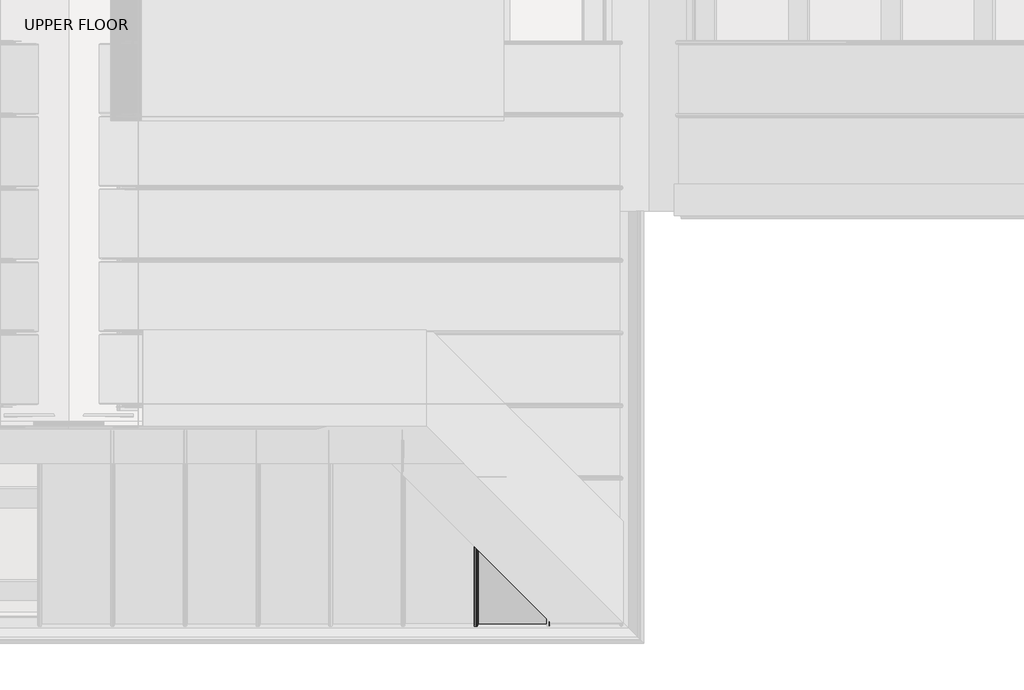
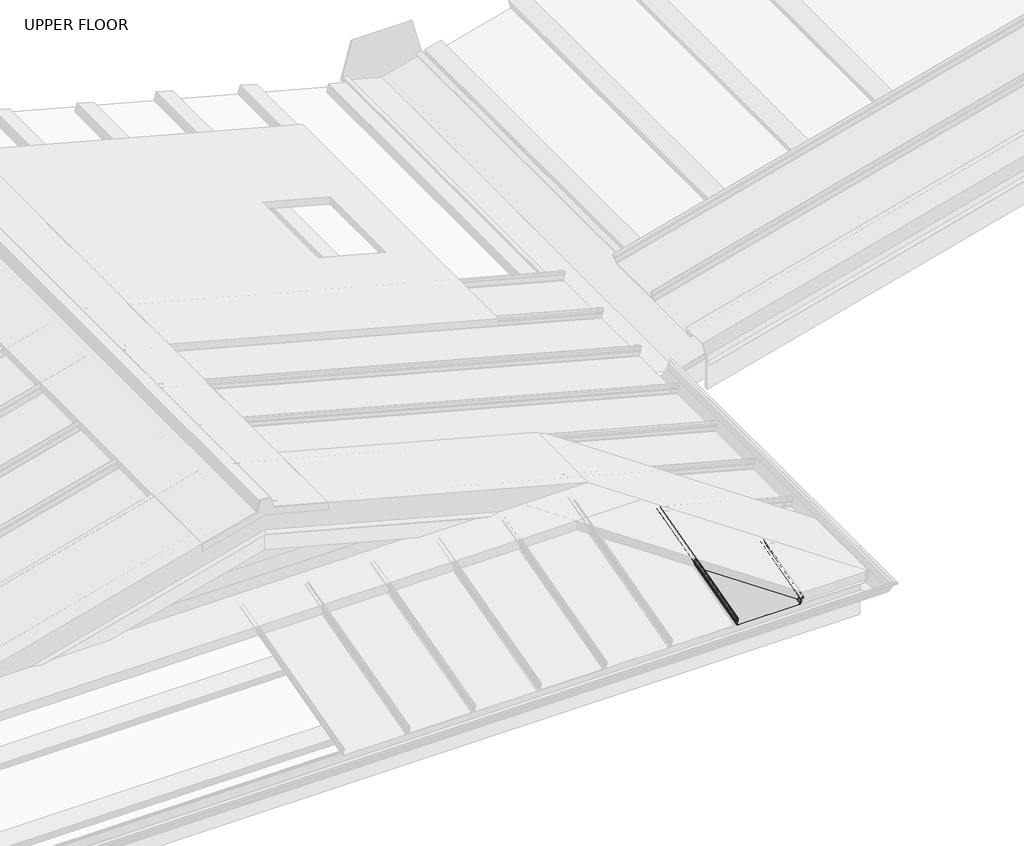
# One storey, part 10 of 15: 1 beam.
"""IFC4 building model written with IfcOpenShell, lengths in millimetres."""

from ifc_helpers import new_model, si_unit, frame, origin, place, context, project, spatial, polyline, circle_curve, ellipse_curve, element, save
from ifc_brep_helpers import plane_surface, cylinder_surface, revolved_surface, advanced_brep

model = new_model("IFC4")

# Units and contexts
model_context = context("Model", 3, world=origin())
ifc_project = project(units=[si_unit("LENGTHUNIT", "METRE", prefix="MILLI")], contexts=[model_context])

# Site, building, storey
site = spatial("IfcSite", under=ifc_project)
building = spatial("IfcBuilding", under=site)
storey = spatial("IfcBuildingStorey", under=building, Name="UPPER FLOOR", Elevation=2700.0)

# Beam
placement = place(None, origin())
element("IfcBeam", 1, at=placement, inside=storey, context=model_context, shape_type="AdvancedBrep", body=[
    advanced_brep(
    [(4248.3493108, -4676.095666, 3282.2551895), (4243.8152854, -4677.0728577, 3285.9021185), (4239.3084709, -4676.1309313, 3282.3868016), (4236.8614715, -4673.1910221, 3271.414911), (4238.5201309, -4672.5557768, 3269.0441433), (4239.6892957, -4672.112927, 3267.3914054), (4238.1987741, -4666.0540531, 3244.7793802), (4234.5043224, -4665.157273, 3241.4325512), (3914.2553696, -4665.157273, 3241.4325512), (3910.5625922, -4666.0550971, 3244.7832762), (3909.093089, -4672.1332034, 3267.4670779), (3909.7210166, -4672.3747897, 3268.3686904), (3911.9326545, -4673.168275, 3271.3300177), (3911.0491157, -4676.0609668, 3282.1256906), (3903.8194638, -4677.7900541, 3288.5787319), (3896.5898118, -4676.0609668, 3282.1256906), (3895.706273, -4673.168275, 3271.3300177), (3897.9179109, -4672.3747897, 3268.3686904), (3898.5458385, -4672.1332034, 3267.4670779), (3898.1541241, -4670.5130082, 3261.420427), (3899.15608, -4670.5130082, 3261.420427), (3899.5634887, -4672.1981177, 3267.7093414), (3898.1580728, -4672.6260652, 3269.3064631), (3896.7036522, -4673.1478782, 3271.2538956), (3897.5933426, -4676.0607105, 3282.1247338), (3903.8194638, -4677.531235, 3287.6128061), (3910.0523198, -4676.0402621, 3282.0484196), (3910.9399185, -4673.1272018, 3271.1767303), (3909.4808547, -4672.6260652, 3269.3064631), (3908.0754388, -4672.1981177, 3267.7093414), (3909.5645443, -4666.0389332, 3244.7229517), (3914.2553696, -4664.898454, 3240.4666254), (4234.5040773, -4664.898454, 3240.4666254), (4239.1967532, -4666.0376071, 3244.7180029), (4240.6874877, -4672.0973465, 3267.3332583), (4238.7839069, -4672.805634, 3269.9766229), (4237.8472636, -4673.1463822, 3271.2483128), (4240.2629487, -4676.0462771, 3282.0708676), (4243.8257944, -4676.8142937, 3284.9371448), (4247.2997886, -4676.1424796, 3282.4299005), (4249.3270395, -4673.2675201, 3271.7004056), (4250.3268994, -4673.315157, 3271.8781888), (4250.3268994, -4318.4752468, 3366.9572562), (4248.3493108, -4316.4976582, 3378.6091852), (4249.3270395, -4317.4753869, 3367.0346203), (4247.2997886, -4315.448136, 3379.0776586), (4243.8257944, -4311.9741418, 3382.6957689), (4240.2629487, -4308.4112961, 3380.5783638), (4237.8472636, -4305.995611, 3369.6260654), (4238.7839069, -4306.9322543, 3368.0120995), (4240.6874877, -4308.8358351, 3364.6688869), (4239.1967532, -4307.3451006, 3340.8293704), (4234.5040773, -4302.6524247, 3337.5301564), (3914.2553696, -3982.403717, 3423.340539), (3909.5645443, -3977.7128917, 3429.1593586), (3908.0754388, -3976.2237862, 3454.1951015), (3909.4808547, -3977.6292021, 3455.5303113), (3910.9399185, -3979.088266, 3457.1439027), (3910.0523198, -3978.2006672, 3469.0339755), (3903.8194638, -3971.9678112, 3476.6679557), (3897.5933426, -3965.74169, 3472.4541417), (3896.7036522, -3964.8519996, 3461.0412043), (3898.1580728, -3966.3064202, 3458.5642416), (3899.5634887, -3967.7118362, 3456.4758716), (3899.15608, -3967.3044274, 3449.8445983), (3898.1541241, -3966.3024715, 3450.1130716), (3898.5458385, -3966.694186, 3456.4888929), (3897.9179109, -3966.0662583, 3457.623491), (3895.7051439, -3963.8546433, 3461.390124), (3896.5898118, -3964.7381592, 3472.7240625), (3903.8194638, -3971.9678112, 3477.7032319), (3911.0491157, -3979.1974632, 3468.8497037), (3911.9326545, -3980.0810019, 3457.0421928), (3909.7210166, -3977.8693641, 3454.4608583), (3909.093089, -3977.2414364, 3453.6627657), (3910.5625922, -3978.7109396, 3428.956588), (3914.2553696, -3982.403717, 3424.3758152), (4234.5043224, -4302.6526698, 3338.5653669), (4238.1987741, -4306.3471215, 3341.1625621), (4239.6892957, -4307.8376431, 3364.9986735), (4238.5201309, -4306.6684783, 3367.0833494), (4236.8614715, -4305.0098189, 3370.0687671), (4239.3084709, -4307.4568184, 3381.1727324), (4243.8152854, -4311.9636329, 3383.7328404)],
    [
        (0, 1, circle_curve(frame((4243.8152854, -4675.8796489, 3281.4490028), z_axis=(0.0, -0.9659258262890683, -0.2588190451025206), x_axis=(-1.0000000000000002, 0.0, 0.0)), 4.6102046)),
        (1, 2, circle_curve(frame((4243.8152854, -4675.8796489, 3281.4490028), z_axis=(0.0, -0.9659258262890683, -0.2588190451025206), x_axis=(-1.0000000000000002, 0.0, 0.0)), 4.6102046)),
        (2, 3),
        (3, 4, circle_curve(frame((4239.2456639, -4673.1453565, 3271.2444845), z_axis=(0.0, -0.9659258262890683, -0.2588190451025206), x_axis=(-1.0000000000000002, 0.0, 0.0)), 2.3907121)),
        (4, 5, circle_curve(frame((4238.0092332, -4672.1406133, 3267.4947319), z_axis=(0.0, 0.9659258262890683, 0.2588190451025206), x_axis=(-1.0000000000000002, 0.0, 0.0)), 1.6834645)),
        (5, 6),
        (6, 7, circle_curve(frame((4234.5062513, -4666.1149033, 3245.0064763), z_axis=(0.0, 0.9659258262890683, 0.2588190451025206), x_axis=(-1.0000000000000002, 0.0, 0.0)), 3.7)),
        (7, 8),
        (8, 9, circle_curve(frame((3914.2553696, -4666.1149035, 3245.0064768), z_axis=(0.0, 0.9659258262890683, 0.2588190451025206), x_axis=(-1.0000000000000002, 0.0, 0.0)), 3.7)),
        (9, 10),
        (10, 11, circle_curve(frame((3910.0150589, -4672.1481352, 3267.522804), z_axis=(0.0, 0.9659258262890683, 0.2588190451025206), x_axis=(-1.0000000000000002, 0.0, 0.0)), 0.9237732)),
        (11, 12, circle_curve(frame((3909.0209943, -4673.108701, 3271.1076846), z_axis=(0.0, -0.9659258262890683, -0.2588190451025206), x_axis=(-1.0000000000000002, 0.0, 0.0)), 2.9207441)),
        (12, 13),
        (13, 14, circle_curve(frame((3903.8194638, -4675.9130447, 3281.5736375), z_axis=(0.0, -0.9659258262890683, -0.2588190451025206), x_axis=(-1.0000000000000002, 0.0, 0.0)), 7.2522073)),
        (14, 15, circle_curve(frame((3903.8194638, -4675.9130447, 3281.5736375), z_axis=(0.0, -0.9659258262890683, -0.2588190451025206), x_axis=(-1.0000000000000002, 0.0, 0.0)), 7.2522073)),
        (15, 16),
        (16, 17, circle_curve(frame((3898.6193548, -4673.1092459, 3271.1097181), z_axis=(0.0, -0.9659258262890683, -0.2588190451025206), x_axis=(-1.0000000000000002, 0.0, 0.0)), 2.9231288)),
        (17, 18, circle_curve(frame((3897.7169165, -4672.164336, 3267.5832662), z_axis=(0.0, 0.9659258262890683, 0.2588190451025206), x_axis=(-1.0000000000000002, 0.0, 0.0)), 0.8376041)),
        (18, 19),
        (19, 20, circle_curve(frame((3898.655102, -4670.5130082, 3261.420427), z_axis=(0.0, -0.9659258262890683, -0.2588190451025206), x_axis=(-1.0000000000000002, 0.0, 0.0)), 0.5009779)),
        (20, 21),
        (21, 22, circle_curve(frame((3897.7131726, -4672.1596269, 3267.5656915), z_axis=(0.0, -0.9659258262890683, -0.2588190451025206), x_axis=(-1.0000000000000002, 0.0, 0.0)), 1.856283)),
        (22, 23, circle_curve(frame((3898.6184225, -4673.108701, 3271.1076846), z_axis=(0.0, 0.9659258262890683, 0.2588190451025206), x_axis=(-1.0000000000000002, 0.0, 0.0)), 1.9207441)),
        (23, 24),
        (24, 25, circle_curve(frame((3903.7424143, -4675.9348975, 3281.6551933), z_axis=(0.0, 0.9659258262890683, 0.2588190451025206), x_axis=(-1.0000000000000002, 0.0, 0.0)), 6.1682558)),
        (25, 26, circle_curve(frame((3903.7402894, -4675.8908732, 3281.4908925), z_axis=(0.0, 0.9659258262890683, 0.2588190451025206), x_axis=(-1.0000000000000002, 0.0, 0.0)), 6.3383658)),
        (26, 27),
        (27, 28, circle_curve(frame((3909.1164737, -4673.0899838, 3271.0378311), z_axis=(0.0, 0.9659258262890683, 0.2588190451025206), x_axis=(-1.0000000000000002, 0.0, 0.0)), 1.8291061)),
        (28, 29, circle_curve(frame((3909.830809, -4672.1805142, 3267.6436441), z_axis=(0.0, -0.9659258262890683, -0.2588190451025206), x_axis=(-1.0000000000000002, 0.0, 0.0)), 1.7566874)),
        (29, 30),
        (30, 31, circle_curve(frame((3914.2553696, -4666.1149035, 3245.0064768), z_axis=(0.0, -0.9659258262890683, -0.2588190451025206), x_axis=(-1.0000000000000002, 0.0, 0.0)), 4.7)),
        (31, 32),
        (32, 33, circle_curve(frame((4234.5040773, -4666.1155033, 3245.0087152), z_axis=(0.0, -0.9659258262890683, -0.2588190451025206), x_axis=(-1.0000000000000002, 0.0, 0.0)), 4.7023174)),
        (33, 34),
        (34, 35, circle_curve(frame((4238.0133759, -4672.141414, 3267.4977204), z_axis=(0.0, -0.9659258262890683, -0.2588190451025206), x_axis=(-1.0000000000000002, 0.0, 0.0)), 2.6795268)),
        (35, 36, circle_curve(frame((4238.9167497, -4673.0867027, 3271.0255856), z_axis=(0.0, 0.9659258262890683, 0.2588190451025206), x_axis=(-1.0000000000000002, 0.0, 0.0)), 1.094061)),
        (36, 37),
        (37, 38, circle_curve(frame((4243.8257944, -4675.8766984, 3281.4379916), z_axis=(0.0, 0.9659258262890683, 0.2588190451025206), x_axis=(-1.0000000000000002, 0.0, 0.0)), 3.6225901)),
        (38, 39, circle_curve(frame((4243.8257944, -4675.8766984, 3281.4379916), z_axis=(0.0, 0.9659258262890683, 0.2588190451025206), x_axis=(-1.0000000000000002, 0.0, 0.0)), 3.6225901)),
        (39, 40),
        (40, 41, circle_curve(frame((4249.8269694, -4673.2913386, 3271.7892972), z_axis=(0.0, -0.9659258262890683, -0.2588190451025206), x_axis=(-1.0000000000000002, 0.0, 0.0)), 0.5083296)),
        (41, 0),
        (41, 42),
        (42, 43),
        (43, 0),
        (40, 44),
        (44, 42, ellipse_curve(frame((4249.8269694, -4317.9753168, 3366.9959383), z_axis=(-0.7071067811865475, -0.7071067811865476, 0.0), x_axis=(-0.6612248329466449, 0.6612248329466448, 0.35434932000691527)), 0.7442462, 0.5083296)),
        (39, 45),
        (45, 44),
        (38, 46),
        (46, 45, ellipse_curve(frame((4243.8257944, -4311.9741418, 3378.9453877), z_axis=(0.7071067811865475, 0.7071067811865476, 0.0), x_axis=(0.6612248329466449, -0.6612248329466448, -0.35434932000691527)), 5.3038399, 3.6225901)),
        (37, 47),
        (47, 46, ellipse_curve(frame((4243.8257944, -4311.9741418, 3378.9453877), z_axis=(0.7071067811865475, 0.7071067811865476, 0.0), x_axis=(0.6612248329466449, -0.6612248329466448, -0.35434932000691527)), 5.3038399, 3.6225901)),
        (36, 48),
        (48, 47),
        (35, 49),
        (49, 48, ellipse_curve(frame((4238.9167497, -4307.0650971, 3369.1007792), z_axis=(0.7071067811865475, 0.7071067811865476, 0.0), x_axis=(0.6612248329466449, -0.6612248329466448, -0.35434932000691527)), 1.6018165, 1.094061)),
        (34, 50),
        (50, 49, ellipse_curve(frame((4238.0133759, -4306.1617233, 3365.561683), z_axis=(-0.7071067811865475, -0.7071067811865476, 0.0), x_axis=(-0.6612248329466449, 0.6612248329466448, 0.35434932000691527)), 3.9230995, 2.6795268)),
        (33, 51),
        (51, 50),
        (32, 52),
        (52, 51, ellipse_curve(frame((4234.5040773, -4302.6524247, 3342.3983536), z_axis=(-0.7071067811865475, -0.7071067811865476, 0.0), x_axis=(-0.6612248329466449, 0.6612248329466448, 0.35434932000691527)), 6.8846705, 4.7023174)),
        (31, 53),
        (53, 52),
        (30, 54),
        (54, 53, ellipse_curve(frame((3914.2553696, -3982.403717, 3428.206337), z_axis=(-0.7071067811865475, -0.7071067811865476, 0.0), x_axis=(-0.6612248329466449, 0.6612248329466448, 0.35434932000691527)), 6.8812776, 4.7)),
        (29, 55),
        (55, 54),
        (28, 56),
        (56, 55, ellipse_curve(frame((3909.830809, -3977.9791564, 3453.6543374), z_axis=(-0.7071067811865475, -0.7071067811865476, 0.0), x_axis=(-0.6612248329466449, 0.6612248329466448, 0.35434932000691527)), 2.5719689, 1.7566874)),
        (27, 57),
        (57, 56, ellipse_curve(frame((3909.1164737, -3977.2648212, 3457.4836215), z_axis=(0.7071067811865475, 0.7071067811865476, 0.0), x_axis=(0.6612248329466449, -0.6612248329466448, -0.35434932000691527)), 2.6779972, 1.8291061)),
        (26, 58),
        (58, 57),
        (25, 59),
        (59, 58, ellipse_curve(frame((3903.7402894, -3971.8886368, 3470.1277232), z_axis=(0.7071067811865475, 0.7071067811865476, 0.0), x_axis=(0.6612248329466449, -0.6612248329466448, -0.35434932000691527)), 9.2800116, 6.3383658)),
        (24, 60),
        (60, 59, ellipse_curve(frame((3903.7424143, -3971.8907617, 3470.3032509), z_axis=(0.7071067811865475, 0.7071067811865476, 0.0), x_axis=(0.6612248329466449, -0.6612248329466448, -0.35434932000691527)), 9.0309533, 6.1682558)),
        (23, 61),
        (61, 60),
        (22, 62),
        (62, 61, ellipse_curve(frame((3898.6184225, -3966.7667699, 3460.3714346), z_axis=(0.7071067811865475, 0.7071067811865476, 0.0), x_axis=(0.6612248329466449, -0.6612248329466448, -0.35434932000691527)), 2.8121646, 1.9207441)),
        (21, 63),
        (63, 62, ellipse_curve(frame((3897.7131726, -3965.86152, 3456.8176989), z_axis=(-0.7071067811865475, -0.7071067811865476, 0.0), x_axis=(-0.6612248329466449, 0.6612248329466448, 0.35434932000691527)), 2.7177869, 1.856283)),
        (20, 64),
        (64, 63),
        (19, 65),
        (65, 64, ellipse_curve(frame((3898.655102, -3966.8034494, 3449.978835), z_axis=(-0.7071067811865475, -0.7071067811865476, 0.0), x_axis=(-0.6612248329466449, 0.6612248329466448, 0.35434932000691527)), 0.7334826, 0.5009779)),
        (18, 66),
        (66, 65),
        (17, 67),
        (67, 66, ellipse_curve(frame((3897.7169165, -3965.865264, 3456.8355322), z_axis=(0.7071067811865475, 0.7071067811865476, 0.0), x_axis=(0.6612248329466449, -0.6612248329466448, -0.35434932000691527)), 1.2263375, 0.8376041)),
        (16, 68),
        (68, 67, ellipse_curve(frame((3898.6193548, -3966.7677022, 3460.3733643), z_axis=(-0.7071067811865475, -0.7071067811865476, 0.0), x_axis=(-0.6612248329466449, 0.6612248329466448, 0.35434932000691527)), 4.2797576, 2.9231288)),
        (15, 69),
        (69, 68),
        (14, 70),
        (70, 69, ellipse_curve(frame((3903.8194638, -3971.9678112, 3470.1951944), z_axis=(-0.7071067811865475, -0.7071067811865476, 0.0), x_axis=(-0.6612248329466449, 0.6612248329466448, 0.35434932000691527)), 10.6179685, 7.2522073)),
        (13, 71),
        (71, 70, ellipse_curve(frame((3903.8194638, -3971.9678112, 3470.1951944), z_axis=(-0.7071067811865475, -0.7071067811865476, 0.0), x_axis=(-0.6612248329466449, 0.6612248329466448, 0.35434932000691527)), 10.6179685, 7.2522073)),
        (12, 72),
        (72, 71),
        (11, 73),
        (73, 72, ellipse_curve(frame((3909.0209943, -3977.1693417, 3457.5840739), z_axis=(-0.7071067811865475, -0.7071067811865476, 0.0), x_axis=(-0.6612248329466449, 0.6612248329466448, 0.35434932000691527)), 4.2762662, 2.9207441)),
        (10, 74),
        (74, 73, ellipse_curve(frame((3910.0150589, -3978.1634063, 3453.4754517), z_axis=(0.7071067811865475, 0.7071067811865476, 0.0), x_axis=(0.6612248329466449, -0.6612248329466448, -0.35434932000691527)), 1.3524978, 0.9237732)),
        (9, 75),
        (75, 74),
        (8, 76),
        (76, 75, ellipse_curve(frame((3914.2553696, -3982.403717, 3428.206337), z_axis=(0.7071067811865475, 0.7071067811865476, 0.0), x_axis=(0.6612248329466449, -0.6612248329466448, -0.35434932000691527)), 5.417176, 3.7)),
        (7, 77),
        (77, 76),
        (6, 78),
        (78, 77, ellipse_curve(frame((4234.5062513, -4302.6545987, 3342.3953714), z_axis=(0.7071067811865475, 0.7071067811865476, 0.0), x_axis=(0.6612248329466449, -0.6612248329466448, -0.35434932000691527)), 5.417176, 3.7)),
        (5, 79),
        (79, 78),
        (4, 80),
        (80, 79, ellipse_curve(frame((4238.0092332, -4306.1575806, 3365.5595899), z_axis=(0.7071067811865475, 0.7071067811865476, 0.0), x_axis=(0.6612248329466449, -0.6612248329466448, -0.35434932000691527)), 2.4647631, 1.6834645)),
        (3, 81),
        (81, 80, ellipse_curve(frame((4239.2456639, -4307.3940113, 3369.2472621), z_axis=(-0.7071067811865475, -0.7071067811865476, 0.0), x_axis=(-0.6612248329466449, 0.6612248329466448, 0.35434932000691527)), 3.5002454, 2.3907121)),
        (2, 82),
        (82, 81),
        (1, 83),
        (83, 82, ellipse_curve(frame((4243.8152854, -4311.9636329, 3378.9600054), z_axis=(-0.7071067811865475, -0.7071067811865476, 0.0), x_axis=(-0.6612248329466449, 0.6612248329466448, 0.35434932000691527)), 6.749808, 4.6102046)),
        (43, 83, ellipse_curve(frame((4243.8152854, -4311.9636329, 3378.9600054), z_axis=(-0.7071067811865475, -0.7071067811865476, 0.0), x_axis=(-0.6612248329466449, 0.6612248329466448, 0.35434932000691527)), 6.749808, 4.6102046)),
    ],
    [
        plane_surface(frame((4250.3268994, -4673.315157, 3271.8781888), z_axis=(0.0, -0.9659258262890685, -0.25881904510252035), x_axis=(-0.18103878268248824, -0.25454230822568763, 0.9499648269741264))),
        plane_surface(frame((4248.3493108, -3763.2953086, 3526.8393081), z_axis=(0.9834759575936989, -0.0468562848604057, 0.17487003575294915), x_axis=(0.0, -0.9659258262890683, -0.2588190451025206))),
        cylinder_surface(frame((4249.8269694, -4673.2913386, 3271.7892972), z_axis=(0.0, 0.9659258262890683, 0.2588190451025206), x_axis=(-1.0000000000000002, 0.0, 0.0)), 0.5083296),
        plane_surface(frame((4249.3270395, -3760.4671627, 3516.2845242), z_axis=(-0.9837509798367423, 0.046467937494472866, -0.17342070365230228), x_axis=(0.0, -0.9659258262890683, -0.2588190451025206))),
        revolved_surface(polyline([(4240.2032043, -4675.876698424135, 3281.437991593533), (4240.2032043, -4308.2321846565455, 3379.948042159291)]), (4243.8257944, -4675.8766984, 3281.4379916), (0.0, -0.9659258262890683, -0.2588190451025206)),
        revolved_surface(polyline([(4240.2032043, -4675.876698481071, 3281.437991578277), (4240.2032043, -4308.2321846565455, 3379.948042159291)]), (4243.8257944, -4675.8766984, 3281.4379916), (0.0, -0.9659258262890683, -0.2588190451025206)),
        plane_surface(frame((4240.2629487, -3763.2459197, 3526.6549862), z_axis=(0.977537868063593, 0.05454866443059217, -0.20357838714000076), x_axis=(0.0, -0.9659258262890683, -0.2588190451025206))),
        revolved_surface(polyline([(4237.8226887, -4673.086702707796, 3271.0255855979112), (4237.8226887, -4305.934985937148, 3369.4035916063067)]), (4238.9167497, -4673.0867027, 3271.0255856), (0.0, -0.9659258262890683, -0.2588190451025206)),
        cylinder_surface(frame((4238.0133759, -4672.141414, 3267.4977204), z_axis=(0.0, 0.9659258262890683, 0.2588190451025206), x_axis=(-1.0000000000000002, 0.0, 0.0)), 2.6795268),
        plane_surface(frame((4240.6874877, -3759.2969891, 3511.9173769), z_axis=(0.9979791357337671, 0.016445999670391176, -0.06137730635116645), x_axis=(0.0, -0.9659258262890683, -0.2588190451025206))),
        cylinder_surface(frame((4234.5040773, -4666.1155033, 3245.0087152), z_axis=(0.0, 0.9659258262890683, 0.2588190451025206), x_axis=(-1.0000000000000002, 0.0, 0.0)), 4.7023174),
        plane_surface(frame((4234.5040773, -3752.0980966, 3485.050744), z_axis=(0.0, 0.2588190451025206, -0.9659258262890683), x_axis=(0.0, -0.9659258262890683, -0.2588190451025206))),
        cylinder_surface(frame((3914.2553696, -4666.1149035, 3245.0064768), z_axis=(0.0, 0.9659258262890683, 0.2588190451025206), x_axis=(-1.0000000000000002, 0.0, 0.0)), 4.7),
        plane_surface(frame((3909.5645443, -3753.2385757, 3489.3070703), z_axis=(-0.9980479368039751, 0.016163898662687713, -0.060324491057539696), x_axis=(0.0, -0.9659258262890683, -0.2588190451025206))),
        cylinder_surface(frame((3909.830809, -4672.1805142, 3267.6436441), z_axis=(0.0, 0.9659258262890683, 0.2588190451025206), x_axis=(-1.0000000000000002, 0.0, 0.0)), 1.7566874),
        revolved_surface(polyline([(3907.2873676, -4673.089983866739, 3271.037831082117), (3907.2873676, -3975.3754446359294, 3457.989878416465)]), (3909.1164737, -4673.0899838, 3271.0378311), (0.0, -0.9659258262890683, -0.2588190451025206)),
        plane_surface(frame((3910.9399185, -3760.3268444, 3515.7608489), z_axis=(-0.9969048840808035, 0.02034760881392576, -0.07593830990610176), x_axis=(0.0, -0.9659258262890683, -0.2588190451025206))),
        revolved_surface(polyline([(3897.4019236000004, -4675.8908732, 3281.4908925), (3897.4019236000004, -3965.3414169583034, 3471.882045482336)]), (3903.7402894, -4675.8908732, 3281.4908925), (0.0, -0.9659258262890683, -0.2588190451025206)),
        revolved_surface(polyline([(3897.5741584999996, -4675.934897502063, 3281.655193299447), (3897.5741584999996, -3965.519257098619, 3472.0104904359887)]), (3903.7424143, -4675.9348975, 3281.6551933), (0.0, -0.9659258262890683, -0.2588190451025206)),
        plane_surface(frame((3897.5933426, -3763.2603531, 3526.7088524), z_axis=(0.9968898625471323, 0.020396848881732668, -0.07612207634093635), x_axis=(0.0, -0.9659258262890683, -0.2588190451025206))),
        revolved_surface(polyline([(3896.6976784000003, -4673.108701075225, 3271.107684579844), (3896.6976784000003, -3964.782735760048, 3460.9030549640406)]), (3898.6184225, -4673.108701, 3271.1076846), (0.0, -0.9659258262890683, -0.2588190451025206)),
        cylinder_surface(frame((3897.7131726, -4672.1596269, 3267.5656915), z_axis=(0.0, 0.9659258262890683, 0.2588190451025206), x_axis=(-1.0000000000000002, 0.0, 0.0)), 1.856283),
        plane_surface(frame((3899.5634887, -3759.3977603, 3512.29346), z_axis=(0.9980479368039776, 0.016163898662674224, -0.06032449105750041), x_axis=(0.0, -0.9659258262890683, -0.2588190451025206))),
        cylinder_surface(frame((3898.655102, -4670.5130082, 3261.420427), z_axis=(0.0, 0.9659258262890683, 0.2588190451025206), x_axis=(-1.0000000000000002, 0.0, 0.0)), 0.5009779),
        plane_surface(frame((3898.1541241, -3757.7126508, 3506.0045456), z_axis=(-0.9980479368039783, -0.016163898662671365, 0.060324491057489736), x_axis=(0.0, -0.9659258262890683, -0.2588190451025206))),
        revolved_surface(polyline([(3896.8793124, -4672.164336, 3267.5832662), (3896.8793124, -3965.000060198336, 3457.0673628171953)]), (3897.7169165, -4672.164336, 3267.5832662), (0.0, -0.9659258262890683, -0.2588190451025206)),
        cylinder_surface(frame((3898.6193548, -4673.1092459, 3271.1097181), z_axis=(0.0, 0.9659258262890683, 0.2588190451025206), x_axis=(-1.0000000000000002, 0.0, 0.0)), 2.9231288),
        plane_surface(frame((3895.706273, -3760.3679176, 3515.9141363), z_axis=(-0.996889862547133, -0.020396848881731024, 0.07612207634093021), x_axis=(0.0, -0.9659258262890683, -0.2588190451025206))),
        cylinder_surface(frame((3903.8194638, -4675.9130447, 3281.5736375), z_axis=(0.0, 0.9659258262890683, 0.2588190451025206), x_axis=(-1.0000000000000002, 0.0, 0.0)), 7.2522073),
        plane_surface(frame((3911.0491157, -3763.2606094, 3526.7098092), z_axis=(0.9968898625471304, -0.02039684888174122, 0.0761220763409572), x_axis=(0.0, -0.9659258262890683, -0.2588190451025206))),
        cylinder_surface(frame((3909.0209943, -4673.108701, 3271.1076846), z_axis=(0.0, 0.9659258262890683, 0.2588190451025206), x_axis=(-1.0000000000000002, 0.0, 0.0)), 2.9207441),
        revolved_surface(polyline([(3909.0912857, -4672.1481352, 3267.522804), (3909.0912857, -3977.2091940757387, 3453.731132063185)]), (3910.0150589, -4672.1481352, 3267.522804), (0.0, -0.9659258262890683, -0.2588190451025206)),
        plane_surface(frame((3909.093089, -3759.332846, 3512.0511965), z_axis=(0.9980479368039753, -0.016163898662686728, 0.06032449105753602), x_axis=(0.0, -0.9659258262890683, -0.2588190451025206))),
        revolved_surface(polyline([(3910.5553696, -4666.114903519146, 3245.00647679487), (3910.5553696, -3978.5817991450626, 3429.230416881568)]), (3914.2553696, -4666.1149035, 3245.0064768), (0.0, -0.9659258262890683, -0.2588190451025206)),
        plane_surface(frame((3914.2553696, -3752.3569156, 3486.0166698), z_axis=(0.0, -0.2588190451025206, 0.9659258262890683), x_axis=(0.0, -0.9659258262890683, -0.2588190451025206))),
        revolved_surface(polyline([(4230.8062513, -4666.114903341383, 3245.0064762889115), (4230.8062513, -4298.832680824948, 3343.4194512064983)]), (4234.5062513, -4666.1149033, 3245.0064763), (0.0, -0.9659258262890683, -0.2588190451025206)),
        plane_surface(frame((4238.1987741, -3753.2536957, 3489.3634989), z_axis=(-0.9979791357337673, -0.016445999670390392, 0.06137730635116353), x_axis=(0.0, -0.9659258262890683, -0.2588190451025206))),
        revolved_surface(polyline([(4236.3257687000005, -4672.1406133, 3267.4947319), (4236.3257687000005, -4304.418644653756, 3366.0255364379436)]), (4238.0092332, -4672.1406133, 3267.4947319), (0.0, -0.9659258262890683, -0.2588190451025206)),
        cylinder_surface(frame((4239.2456639, -4673.1453565, 3271.2444845), z_axis=(0.0, 0.9659258262890683, 0.2588190451025206), x_axis=(-1.0000000000000002, 0.0, 0.0)), 2.3907121),
        plane_surface(frame((4236.8614715, -3760.3906647, 3515.9990297), z_axis=(-0.977573645665627, -0.05450569771259388, 0.20341803316539667), x_axis=(0.0, -0.9659258262890683, -0.2588190451025206))),
        cylinder_surface(frame((4243.8152854, -4675.8796489, 3281.4490028), z_axis=(0.0, 0.9659258262890683, 0.2588190451025206), x_axis=(-1.0000000000000002, 0.0, 0.0)), 4.6102046),
        plane_surface(frame((5715.1944205, -5783.3427679, 4168.077193), z_axis=(0.7071067811865475, 0.7071067811865476, 0.0), x_axis=(0.0, 0.0, -1.0))),
    ],
    [
        (0, [[1, 2, 3, 4, 5, 6, 7, 8, 9, 10, 11, 12, 13, 14, 15, 16, 17, 18, 19, 20, 21, 22, 23, 24, 25, 26, 27, 28, 29, 30, 31, 32, 33, 34, 35, 36, 37, 38, 39, 40, 41, 42]]),
        (1, [[-42, 43, 44, 45]]),
        (2, [[-41, 46, 47, -43]]),
        (3, [[-40, 48, 49, -46]]),
        (4, [[-39, 50, 51, -48]]),
        (5, [[-38, 52, 53, -50]]),
        (6, [[-37, 54, 55, -52]]),
        (7, [[-36, 56, 57, -54]]),
        (8, [[-35, 58, 59, -56]]),
        (9, [[-34, 60, 61, -58]]),
        (10, [[-33, 62, 63, -60]]),
        (11, [[-32, 64, 65, -62]]),
        (12, [[-31, 66, 67, -64]]),
        (13, [[-30, 68, 69, -66]]),
        (14, [[-29, 70, 71, -68]]),
        (15, [[-28, 72, 73, -70]]),
        (16, [[-27, 74, 75, -72]]),
        (17, [[-26, 76, 77, -74]]),
        (18, [[-25, 78, 79, -76]]),
        (19, [[-24, 80, 81, -78]]),
        (20, [[-23, 82, 83, -80]]),
        (21, [[-22, 84, 85, -82]]),
        (22, [[-21, 86, 87, -84]]),
        (23, [[-20, 88, 89, -86]]),
        (24, [[-19, 90, 91, -88]]),
        (25, [[-18, 92, 93, -90]]),
        (26, [[-17, 94, 95, -92]]),
        (27, [[-16, 96, 97, -94]]),
        (28, [[-15, 98, 99, -96]]),
        (28, [[-14, 100, 101, -98]]),
        (29, [[-13, 102, 103, -100]]),
        (30, [[-12, 104, 105, -102]]),
        (31, [[-11, 106, 107, -104]]),
        (32, [[-10, 108, 109, -106]]),
        (33, [[-9, 110, 111, -108]]),
        (34, [[-8, 112, 113, -110]]),
        (35, [[-7, 114, 115, -112]]),
        (36, [[-6, 116, 117, -114]]),
        (37, [[-5, 118, 119, -116]]),
        (38, [[-4, 120, 121, -118]]),
        (39, [[-3, 122, 123, -120]]),
        (40, [[-2, 124, 125, -122]]),
        (40, [[-1, -45, 126, -124]]),
        (41, [[-44, -47, -49, -51, -53, -55, -57, -59, -61, -63, -65, -67, -69, -71, -73, -75, -77, -79, -81, -83, -85, -87, -89, -91, -93, -95, -97, -99, -101, -103, -105, -107, -109, -111, -113, -115, -117, -119, -121, -123, -125, -126]]),
    ],
),
])

save(model, "model.ifc")
